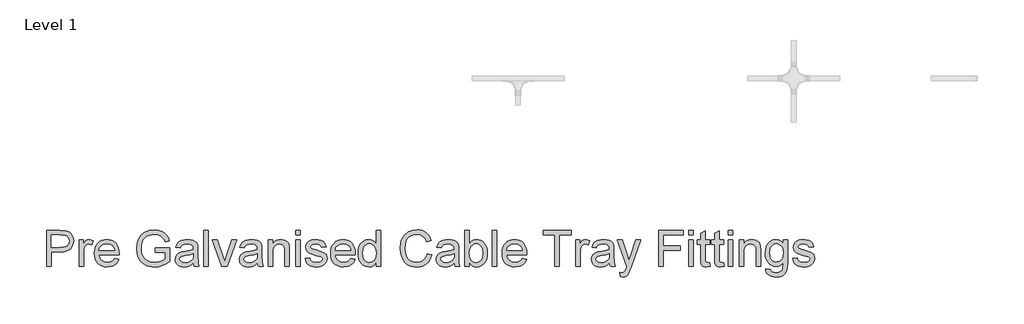
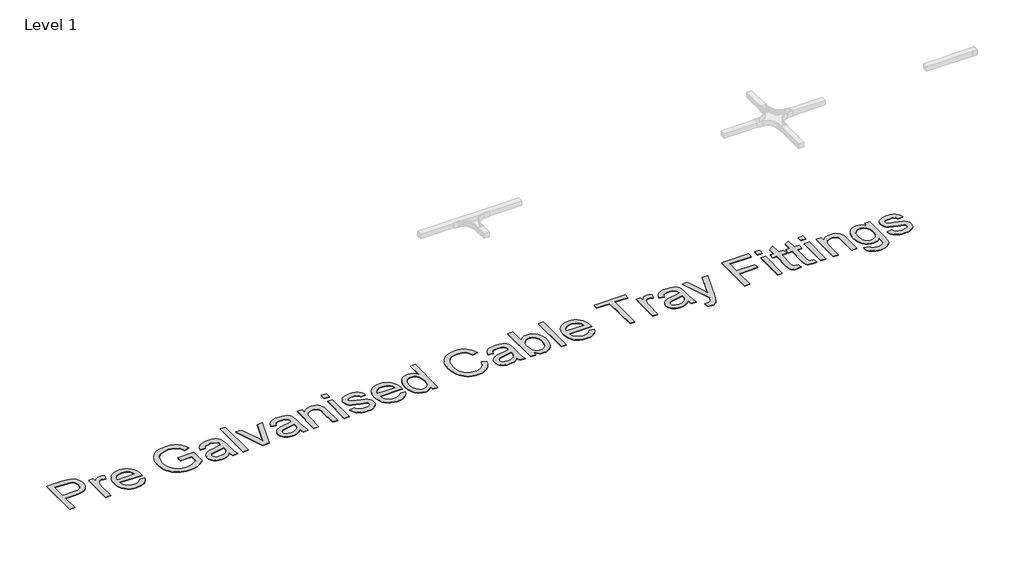
# One storey, part 13 of 15: 1 proxy.
"""IFC4 building model written with IfcOpenShell, lengths in millimetres."""

from ifc_helpers import new_model, si_unit, origin, origin_with_axes, place, context, project, spatial, polyline, outline, extrude, element, save

model = new_model("IFC4")

# Units and contexts
model_context = context("Model", 3, world=origin())
ifc_project = project(units=[si_unit("LENGTHUNIT", "METRE", prefix="MILLI")], contexts=[model_context])

# Site, building, storey
site = spatial("IfcSite", under=ifc_project)
building = spatial("IfcBuilding", under=site)
storey = spatial("IfcBuildingStorey", under=building, Name="Level 1", Elevation=0.0)

# Proxy
placement = place(None, origin())
element("IfcBuildingElementProxy", 1, Name="400mm", ObjectType="400mm", at=placement, inside=storey, context=model_context, shape_type="SweptSolid", body=[
    extrude(outline(polyline([(-11347.0230884, -15595.8757727), (-11347.0230884, -15204.1181969), (-11201.8355884, -15204.1181969), (-11143.3014975, -15207.8483105), (-11117.2026575, -15214.8183626), (-11095.7186376, -15226.1641249), (-11078.4190401, -15242.3996837), (-11064.8734672, -15264.0391249), (-11056.1220467, -15289.5641013), (-11053.2049066, -15317.4562651), (-11055.174574, -15341.5047381), (-11061.0835761, -15363.6283768), (-11070.931913, -15383.8271813), (-11084.7195846, -15402.1011515), (-11103.648118, -15417.2487604), (-11128.9190401, -15428.068481), (-11160.5323509, -15434.5603134), (-11198.4880505, -15436.7242575), (-11298.0533914, -15436.7242575), (-11298.0533914, -15595.8757727), (-11347.0230884, -15595.8757727)]), holes=[polyline([(-11298.0533914, -15387.7545605), (-11195.6187323, -15387.7545605), (-11152.1963839, -15383.2592954), (-11136.0086471, -15377.640214), (-11123.503202, -15369.7734999), (-11114.1719402, -15359.8683745), (-11107.5067532, -15348.1340587), (-11102.1746035, -15319.177856), (-11105.3188981, -15297.1797499), (-11114.7517816, -15278.6248257), (-11129.3016159, -15264.6608105), (-11147.7967626, -15256.4354318), (-11196.7664596, -15253.0878939), (-11298.0533914, -15253.0878939), (-11298.0533914, -15387.7545605)])]), origin_with_axes(), (0.0, 0.0, 1.0), 5.0),
    extrude(outline(polyline([(-10991.9927854, -15595.8757727), (-10991.9927854, -15308.178803), (-10949.1443005, -15308.178803), (-10949.1443005, -15350.740356), (-10933.3152285, -15326.0642196), (-10918.7295278, -15311.5263408), (-10904.0960051, -15304.4247783), (-10888.1234672, -15302.0575908), (-10863.7342626, -15305.8355265), (-10838.9624823, -15317.1693333), (-10855.317596, -15361.0699015), (-10872.5335051, -15353.5379412), (-10889.7494142, -15351.0272878), (-10904.3709814, -15353.4422973), (-10917.4383346, -15360.6873257), (-10927.9950344, -15372.2124204), (-10935.0846414, -15387.4676287), (-10941.0384767, -15414.8217954), (-10943.0230884, -15444.6627045), (-10943.0230884, -15595.8757727), (-10991.9927854, -15595.8757727)])), origin_with_axes(), (0.0, 0.0, 1.0), 5.0),
    extrude(outline(polyline([(-10606.9302854, -15510.178803), (-10558.9170278, -15516.3000151), (-10566.2786223, -15535.5304247), (-10576.2166253, -15552.4773352), (-10588.731037, -15567.1407466), (-10603.8218573, -15579.520659), (-10621.3336649, -15589.3540515), (-10641.1110382, -15596.3779033), (-10687.4624823, -15601.9969848), (-10717.8473663, -15599.5730087), (-10744.9205789, -15592.3010804), (-10768.6821201, -15580.1812), (-10789.1319899, -15563.2133674), (-10805.5767697, -15541.8698245), (-10817.323041, -15516.6228134), (-10824.3708038, -15487.472334), (-10826.7200581, -15454.4183863), (-10824.3468928, -15420.2436112), (-10817.2273971, -15390.121748), (-10805.3615709, -15364.0527968), (-10788.7494142, -15342.0367575), (-10768.3533441, -15324.5458721), (-10745.1357778, -15312.0523825), (-10719.0967153, -15304.5562888), (-10690.2361566, -15302.0575908), (-10662.3051374, -15304.550311), (-10637.0461708, -15312.0284715), (-10614.4592567, -15324.4920724), (-10594.5443952, -15341.9411136), (-10578.2879144, -15363.9093309), (-10566.6761424, -15389.9304602), (-10559.7090792, -15420.0045014), (-10557.3867248, -15454.1314545), (-10557.6736566, -15467.3303181), (-10777.7503611, -15467.3303181), (-10774.9139205, -15486.8715705), (-10769.273917, -15503.9858579), (-10760.8303505, -15518.6731803), (-10749.583221, -15530.9335378), (-10721.1650155, -15547.5038503), (-10686.5060429, -15553.0272878), (-10660.4430695, -15550.4688124), (-10638.4927854, -15542.7933863), (-10620.6551907, -15529.5227897), (-10606.9302854, -15510.178803)]), holes=[polyline([(-10777.7503611, -15418.3606212), (-10606.3564217, -15418.3606212), (-10612.9797645, -15392.4889355), (-10625.9634293, -15373.9818333), (-10639.3177143, -15363.9392196), (-10654.5131452, -15356.7659242), (-10690.4274445, -15351.0272878), (-10723.436559, -15355.6062414), (-10750.7309482, -15369.3431022), (-10769.7043147, -15390.7553891), (-10777.7503611, -15418.3606212)])]), origin_with_axes(), (0.0, 0.0, 1.0), 5.0),
    extrude(outline(polyline([(-10165.629149, -15442.8454696), (-10165.629149, -15393.8757727), (-10006.4776339, -15393.8757727), (-10006.4776339, -15540.3066439), (-10045.1536518, -15567.2065018), (-10085.0491301, -15586.5026666), (-10126.0684246, -15598.1234052), (-10168.1158914, -15601.9969848), (-10196.2441762, -15600.4577151), (-10223.0513791, -15595.8399062), (-10248.5375001, -15588.1435579), (-10272.7025392, -15577.3686704), (-10294.7664004, -15563.6766427), (-10313.948988, -15547.228874), (-10330.2503019, -15528.0253643), (-10343.6703422, -15506.0661136), (-10354.1523202, -15482.053507), (-10361.6394473, -15456.6899299), (-10367.629149, -15401.9098636), (-10361.6633583, -15346.735266), (-10343.7659861, -15295.4103371), (-10330.5282671, -15272.2973813), (-10314.6782731, -15252.3586088), (-10296.2160039, -15235.5940196), (-10275.1414596, -15222.0036136), (-10251.9119378, -15211.5007135), (-10226.9847361, -15203.998642), (-10172.0372929, -15197.9969848), (-10131.6994615, -15201.4760331), (-10095.4264975, -15211.913178), (-10064.8802143, -15228.5552234), (-10041.7224255, -15250.6489734), (-10024.5902049, -15279.2584668), (-10012.1206263, -15315.4477424), (-10057.2645657, -15328.1683863), (-10067.3430458, -15302.3564782), (-10079.5974255, -15282.880981), (-10095.8090732, -15268.1996363), (-10117.7593573, -15256.7701855), (-10143.9299303, -15249.4175577), (-10172.8024445, -15246.9666818), (-10206.6006215, -15249.6088456), (-10235.4970467, -15257.5353371), (-10259.3841206, -15269.7538503), (-10278.1542437, -15285.2720795), (-10292.5606121, -15303.2890066), (-10303.3564217, -15323.0036136), (-10314.8336945, -15359.9699962), (-10318.659452, -15399.9013408), (-10314.0565874, -15446.7310047), (-10300.2479937, -15485.2635568), (-10277.652113, -15515.2240208), (-10246.6873876, -15536.3374204), (-10210.4502901, -15548.854821), (-10172.0372929, -15553.0272878), (-10138.1195609, -15549.8829933), (-10105.0387134, -15540.4501098), (-10076.3096651, -15527.4544895), (-10055.4473308, -15513.6219848), (-10055.4473308, -15442.8454696), (-10165.629149, -15442.8454696)])), origin_with_axes(), (0.0, 0.0, 1.0), 5.0),
    extrude(outline(polyline([(-9749.3867248, -15559.1484999), (-9772.7836234, -15579.2098162), (-9796.8739407, -15592.3369469), (-9822.2076291, -15599.5819753), (-9849.3346414, -15601.9969848), (-9871.1384707, -15600.5443925), (-9890.258292, -15596.1866155), (-9906.6941052, -15588.9236538), (-9920.4459104, -15578.7555075), (-9931.3044864, -15566.3277731), (-9939.0606121, -15552.2860473), (-9943.7142875, -15536.63033), (-9945.2655126, -15519.3606212), (-9942.9222361, -15499.060195), (-9935.8924066, -15480.6248257), (-9925.0487749, -15464.8435757), (-9911.2640922, -15452.5055075), (-9876.9757399, -15436.4373257), (-9834.6054748, -15429.0727424), (-9784.5358725, -15421.3255833), (-9749.6736566, -15412.239409), (-9749.3867248, -15401.3359999), (-9752.7581736, -15379.4813598), (-9762.8725202, -15365.1825908), (-9785.4923119, -15354.5661136), (-9817.0069899, -15351.0272878), (-9846.1783914, -15353.3825198), (-9866.5505505, -15360.4482158), (-9880.4428327, -15373.5155691), (-9890.1746035, -15393.8757727), (-9939.1443005, -15387.7545605), (-9930.6439454, -15360.9742575), (-9917.9591679, -15339.9325908), (-9899.9063744, -15323.840498), (-9875.301971, -15311.9089166), (-9845.2099965, -15304.5204223), (-9810.6944899, -15302.0575908), (-9777.5897314, -15304.2334905), (-9751.3474255, -15310.7611893), (-9731.5610856, -15320.5766486), (-9717.8242248, -15332.6158295), (-9708.7141395, -15347.5004176), (-9702.8081263, -15365.8520984), (-9700.4170278, -15408.7005833), (-9700.4170278, -15469.6257727), (-9697.9302854, -15554.7010568), (-9688.1746035, -15595.8757727), (-9737.1443005, -15595.8757727), (-9744.9871035, -15578.8511515), (-9749.3867248, -15559.1484999)]), holes=[polyline([(-9749.3867248, -15461.209106), (-9782.2882399, -15469.3627518), (-9828.3886187, -15476.2252045), (-9870.519774, -15484.1636515), (-9881.4829606, -15489.591445), (-9889.6007399, -15497.0755833), (-9894.6220467, -15506.0422026), (-9896.2958157, -15515.9174393), (-9892.6493905, -15530.4792291), (-9881.7101149, -15542.4108105), (-9863.7170988, -15550.3731685), (-9838.909452, -15553.0272878), (-9812.6073687, -15550.0981922), (-9789.3658914, -15541.3109052), (-9770.5240354, -15528.3631069), (-9757.4208157, -15512.9524772), (-9751.6104464, -15497.0755833), (-9749.6736566, -15475.0774772), (-9749.3867248, -15461.209106)])]), origin_with_axes(), (0.0, 0.0, 1.0), 5.0),
    extrude(outline(polyline([(-9633.0836945, -15595.8757727), (-9633.0836945, -15204.1181969), (-9584.1139975, -15204.1181969), (-9584.1139975, -15595.8757727), (-9633.0836945, -15595.8757727)])), origin_with_axes(), (0.0, 0.0, 1.0), 5.0),
    extrude(outline(polyline([(-9440.0742248, -15595.8757727), (-9541.2655126, -15308.178803), (-9489.4264975, -15308.178803), (-9428.1187323, -15480.5291818), (-9409.659452, -15538.489409), (-9391.5827475, -15483.7810757), (-9329.8924066, -15308.178803), (-9278.0533914, -15308.178803), (-9378.0013081, -15595.8757727), (-9440.0742248, -15595.8757727)])), origin_with_axes(), (0.0, 0.0, 1.0), 5.0),
    extrude(outline(polyline([(-9051.5685429, -15559.1484999), (-9074.9654416, -15579.2098162), (-9099.0557589, -15592.3369469), (-9124.3894473, -15599.5819753), (-9151.5164596, -15601.9969848), (-9173.3202889, -15600.5443925), (-9192.4401102, -15596.1866155), (-9208.8759234, -15588.9236538), (-9222.6277285, -15578.7555075), (-9233.4863045, -15566.3277731), (-9241.2424303, -15552.2860473), (-9245.8961057, -15536.63033), (-9247.4473308, -15519.3606212), (-9245.1040543, -15499.060195), (-9238.0742248, -15480.6248257), (-9227.2305931, -15464.8435757), (-9213.4459104, -15452.5055075), (-9179.1575581, -15436.4373257), (-9136.7872929, -15429.0727424), (-9086.7176907, -15421.3255833), (-9051.8554748, -15412.239409), (-9051.5685429, -15401.3359999), (-9054.9399918, -15379.4813598), (-9065.0543384, -15365.1825908), (-9087.6741301, -15354.5661136), (-9119.1888081, -15351.0272878), (-9148.3602096, -15353.3825198), (-9168.7323687, -15360.4482158), (-9182.6246509, -15373.5155691), (-9192.3564217, -15393.8757727), (-9241.3261187, -15387.7545605), (-9232.8257636, -15360.9742575), (-9220.1409861, -15339.9325908), (-9202.0881926, -15323.840498), (-9177.4837892, -15311.9089166), (-9147.3918147, -15304.5204223), (-9112.8763081, -15302.0575908), (-9079.7715496, -15304.2334905), (-9053.5292437, -15310.7611893), (-9033.7429037, -15320.5766486), (-9020.0060429, -15332.6158295), (-9010.8959577, -15347.5004176), (-9004.9899445, -15365.8520984), (-9002.598846, -15408.7005833), (-9002.598846, -15469.6257727), (-9000.1121035, -15554.7010568), (-8990.3564217, -15595.8757727), (-9039.3261187, -15595.8757727), (-9047.1689217, -15578.8511515), (-9051.5685429, -15559.1484999)]), holes=[polyline([(-9051.5685429, -15461.209106), (-9084.4700581, -15469.3627518), (-9130.5704369, -15476.2252045), (-9172.7015922, -15484.1636515), (-9183.6647787, -15489.591445), (-9191.7825581, -15497.0755833), (-9196.8038649, -15506.0422026), (-9198.4776339, -15515.9174393), (-9194.8312087, -15530.4792291), (-9183.8919331, -15542.4108105), (-9165.898917, -15550.3731685), (-9141.0912702, -15553.0272878), (-9114.7891869, -15550.0981922), (-9091.5477096, -15541.3109052), (-9072.7058535, -15528.3631069), (-9059.6026339, -15512.9524772), (-9053.7922645, -15497.0755833), (-9051.8554748, -15475.0774772), (-9051.5685429, -15461.209106)])]), origin_with_axes(), (0.0, 0.0, 1.0), 5.0),
    extrude(outline(polyline([(-8935.2655126, -15595.8757727), (-8935.2655126, -15308.178803), (-8886.2958157, -15308.178803), (-8886.2958157, -15348.3492575), (-8869.2831499, -15328.0966533), (-8848.8512134, -15313.6305075), (-8825.000006, -15304.95082), (-8797.7295278, -15302.0575908), (-8773.5913886, -15304.3889119), (-8751.4856831, -15311.3828749), (-8733.0503138, -15322.1667291), (-8719.9231831, -15335.8677234), (-8711.0163412, -15352.4499914), (-8705.2418384, -15371.8776666), (-8702.659452, -15419.2214166), (-8702.659452, -15595.8757727), (-8751.629149, -15595.8757727), (-8751.629149, -15425.8208484), (-8753.0398971, -15400.4991155), (-8757.2721414, -15382.4941439), (-8765.079078, -15369.5941676), (-8777.2139028, -15359.5874204), (-8792.7679984, -15353.167321), (-8810.8327475, -15351.0272878), (-8839.5139738, -15355.8333958), (-8863.9629558, -15370.2517196), (-8873.733582, -15382.0219019), (-8880.7126007, -15398.108017), (-8884.9000119, -15418.5100648), (-8886.2958157, -15443.2280454), (-8886.2958157, -15595.8757727), (-8935.2655126, -15595.8757727)])), origin_with_axes(), (0.0, 0.0, 1.0), 5.0),
    extrude(outline(polyline([(-8635.3261187, -15595.8757727), (-8635.3261187, -15308.178803), (-8586.3564217, -15308.178803), (-8586.3564217, -15595.8757727), (-8635.3261187, -15595.8757727)])), origin_with_axes(), (0.0, 0.0, 1.0), 5.0),
    extrude(outline(polyline([(-8635.3261187, -15253.0878939), (-8635.3261187, -15204.1181969), (-8586.3564217, -15204.1181969), (-8586.3564217, -15253.0878939), (-8635.3261187, -15253.0878939)])), origin_with_axes(), (0.0, 0.0, 1.0), 5.0),
    extrude(outline(polyline([(-8531.2655126, -15510.178803), (-8482.2958157, -15504.0575908), (-8474.5725676, -15525.0036136), (-8459.628202, -15540.4022878), (-8437.3670751, -15549.8710378), (-8407.6935429, -15553.0272878), (-8378.3786755, -15550.1340587), (-8357.7674066, -15541.4543712), (-8345.5728043, -15528.8771931), (-8341.5079369, -15514.2914924), (-8345.5967153, -15501.8099583), (-8357.8630505, -15492.2933863), (-8408.2674066, -15478.3293712), (-8482.0088839, -15454.3705643), (-8500.6714075, -15442.3313835), (-8514.1930695, -15426.3947121), (-8522.4064928, -15407.576767), (-8525.1443005, -15386.8937651), (-8522.9444899, -15367.9203986), (-8516.3450581, -15350.4056022), (-8505.9437797, -15335.0427944), (-8492.3384293, -15322.5253939), (-8461.206327, -15308.0353371), (-8419.0751717, -15302.0575908), (-8387.2018289, -15304.4606448), (-8359.4889975, -15311.6698068), (-8337.2039596, -15322.9797026), (-8321.6139975, -15337.6849583), (-8311.284452, -15356.8735236), (-8304.7806642, -15381.6333484), (-8353.7503611, -15387.7545605), (-8359.9313507, -15372.3439308), (-8372.1618195, -15360.7351477), (-8390.5613223, -15353.4542528), (-8415.2494142, -15351.0272878), (-8443.3687323, -15353.3466533), (-8462.1149445, -15360.3047499), (-8472.6596888, -15370.3473636), (-8476.1746035, -15381.9202802), (-8470.3403232, -15396.1712272), (-8452.0723308, -15406.9789924), (-8409.8933535, -15417.4041818), (-8338.0169331, -15440.4543712), (-8319.0316111, -15451.4773352), (-8304.6371982, -15466.5651666), (-8295.5629795, -15485.7656874), (-8292.5382399, -15509.1267196), (-8296.0890212, -15533.2768143), (-8306.7413649, -15555.9922499), (-8324.0887844, -15575.4916581), (-8347.7247929, -15589.9936704), (-8376.2745089, -15598.9961562), (-8408.3630505, -15601.9969848), (-8434.7189336, -15600.5503702), (-8457.7392342, -15596.2105265), (-8477.4239525, -15588.9774535), (-8493.7730884, -15578.8511515), (-8507.1273734, -15565.8794422), (-8517.8275392, -15550.1101477), (-8525.8735856, -15531.5432679), (-8531.2655126, -15510.178803)])), origin_with_axes(), (0.0, 0.0, 1.0), 5.0),
    extrude(outline(polyline([(-8036.0211945, -15510.178803), (-7988.0079369, -15516.3000151), (-7995.3695313, -15535.5304247), (-8005.3075344, -15552.4773352), (-8017.8219461, -15567.1407466), (-8032.9127664, -15579.520659), (-8050.424574, -15589.3540515), (-8070.2019473, -15596.3779033), (-8116.5533914, -15601.9969848), (-8146.9382754, -15599.5730087), (-8174.011488, -15592.3010804), (-8197.7730292, -15580.1812), (-8218.222899, -15563.2133674), (-8234.6676788, -15541.8698245), (-8246.4139501, -15516.6228134), (-8253.4617129, -15487.472334), (-8255.8109672, -15454.4183863), (-8253.4378019, -15420.2436112), (-8246.3183062, -15390.121748), (-8234.45248, -15364.0527968), (-8217.8403232, -15342.0367575), (-8197.4442532, -15324.5458721), (-8174.2266869, -15312.0523825), (-8148.1876244, -15304.5562888), (-8119.3270657, -15302.0575908), (-8091.3960465, -15304.550311), (-8066.1370799, -15312.0284715), (-8043.5501658, -15324.4920724), (-8023.6353043, -15341.9411136), (-8007.3788235, -15363.9093309), (-7995.7670515, -15389.9304602), (-7988.7999883, -15420.0045014), (-7986.4776339, -15454.1314545), (-7986.7645657, -15467.3303181), (-8206.8412702, -15467.3303181), (-8204.0048296, -15486.8715705), (-8198.3648261, -15503.9858579), (-8189.9212596, -15518.6731803), (-8178.6741301, -15530.9335378), (-8150.2559246, -15547.5038503), (-8115.596952, -15553.0272878), (-8089.5339785, -15550.4688124), (-8067.5836945, -15542.7933863), (-8049.7460998, -15529.5227897), (-8036.0211945, -15510.178803)]), holes=[polyline([(-8206.8412702, -15418.3606212), (-8035.4473308, -15418.3606212), (-8042.0706736, -15392.4889355), (-8055.0543384, -15373.9818333), (-8068.4086234, -15363.9392196), (-8083.6040543, -15356.7659242), (-8119.5183535, -15351.0272878), (-8152.5274681, -15355.6062414), (-8179.8218573, -15369.3431022), (-8198.7952238, -15390.7553891), (-8206.8412702, -15418.3606212)])]), origin_with_axes(), (0.0, 0.0, 1.0), 5.0),
    extrude(outline(polyline([(-7759.9927854, -15595.8757727), (-7759.9927854, -15549.6797499), (-7774.6442413, -15572.5685402), (-7792.3921698, -15588.9176761), (-7813.2365709, -15598.7271576), (-7837.1774445, -15601.9969848), (-7868.8355884, -15597.2626098), (-7897.815702, -15583.0594848), (-7922.3483725, -15560.3799157), (-7940.6641869, -15530.2162083), (-7952.0697267, -15493.7878229), (-7955.8715732, -15452.3142196), (-7952.368614, -15411.3547026), (-7941.8597361, -15374.364409), (-7924.3568952, -15343.4475056), (-7899.8720467, -15320.708159), (-7870.258292, -15306.7202329), (-7837.3687323, -15302.0575908), (-7813.4099255, -15305.3931732), (-7792.2247929, -15315.3999204), (-7774.2676433, -15330.7388172), (-7759.9927854, -15350.0708484), (-7759.9927854, -15204.1181969), (-7711.0230884, -15204.1181969), (-7711.0230884, -15595.8757727), (-7759.9927854, -15595.8757727)]), holes=[polyline([(-7906.9018763, -15452.1229318), (-7901.3784388, -15496.4180312), (-7894.4741419, -15513.7684396), (-7884.8081263, -15527.9207537), (-7860.7297645, -15546.7506543), (-7847.2021249, -15551.4581294), (-7832.6821793, -15553.0272878), (-7804.6465496, -15547.0375861), (-7781.1779179, -15529.068481), (-7771.9094224, -15515.5079637), (-7765.2890685, -15498.7852187), (-7759.9927854, -15455.8530454), (-7765.3847124, -15408.9157821), (-7772.1246213, -15390.8450553), (-7781.5604937, -15376.3729318), (-7792.9690223, -15365.2842125), (-7805.6268999, -15357.3636988), (-7819.5341265, -15352.6113906), (-7834.690702, -15351.0272878), (-7849.4975794, -15352.5486242), (-7863.0252191, -15357.1126335), (-7875.2736211, -15364.7193155), (-7886.2427854, -15375.3686704), (-7895.2811376, -15389.2938302), (-7901.7371035, -15406.727927), (-7906.9018763, -15452.1229318)])]), origin_with_axes(), (0.0, 0.0, 1.0), 5.0),
    extrude(outline(polyline([(-7202.9624823, -15456.6181969), (-7153.9927854, -15469.2431969), (-7163.682712, -15499.696825), (-7176.588666, -15526.3067623), (-7192.7106476, -15549.0730087), (-7212.0486566, -15567.9955643), (-7234.1663176, -15582.8711858), (-7258.6272551, -15593.4966297), (-7285.4314691, -15599.871896), (-7314.5789596, -15601.9969848), (-7344.4407908, -15600.3889711), (-7371.3795041, -15595.5649299), (-7395.3950995, -15587.5248612), (-7416.487577, -15576.2687651), (-7434.9468573, -15561.9640184), (-7451.0628611, -15544.777998), (-7464.8355884, -15524.710704), (-7476.2650392, -15501.7621363), (-7491.6517579, -15451.1904033), (-7496.7806642, -15397.0320227), (-7490.9822503, -15339.9086799), (-7483.734233, -15314.2701264), (-7473.5870089, -15290.5803181), (-7460.7677321, -15269.2307975), (-7445.5035571, -15250.6131069), (-7427.794484, -15234.7272464), (-7407.6405126, -15221.5732158), (-7362.7356831, -15203.8910426), (-7313.5268763, -15197.9969848), (-7285.5181464, -15199.9038858), (-7259.8347598, -15205.624589), (-7236.4767165, -15215.1590942), (-7215.4440164, -15228.5074015), (-7197.0833689, -15245.3168238), (-7181.7414833, -15265.2346742), (-7169.4183595, -15288.2609526), (-7160.1139975, -15314.395659), (-7209.0836945, -15326.0642196), (-7226.0604937, -15290.3531638), (-7249.254149, -15265.8563598), (-7278.9515922, -15251.6891013), (-7315.4397551, -15246.9666818), (-7357.4991774, -15252.2031874), (-7392.0505505, -15267.9127045), (-7418.2689454, -15292.4453749), (-7435.3294331, -15324.1513408), (-7444.6905837, -15359.9939071), (-7447.8109672, -15396.9363787), (-7444.11672, -15442.1759621), (-7433.0339785, -15481.2943333), (-7414.1443005, -15512.7970558), (-7387.0292437, -15535.1896931), (-7354.5222598, -15548.5678891), (-7319.4568005, -15553.0272878), (-7298.1670574, -15551.5089403), (-7278.5809719, -15546.9538977), (-7260.6985441, -15539.36216), (-7244.519774, -15528.7337272), (-7230.4272373, -15515.1164213), (-7218.8035098, -15498.5580643), (-7209.6485915, -15479.0586562), (-7202.9624823, -15456.6181969)])), origin_with_axes(), (0.0, 0.0, 1.0), 5.0),
    extrude(outline(polyline([(-6909.1443005, -15559.1484999), (-6932.5411992, -15579.2098162), (-6956.6315164, -15592.3369469), (-6981.9652049, -15599.5819753), (-7009.0922172, -15601.9969848), (-7030.8960465, -15600.5443925), (-7050.0158678, -15596.1866155), (-7066.451681, -15588.9236538), (-7080.2034861, -15578.7555075), (-7091.0620621, -15566.3277731), (-7098.8181878, -15552.2860473), (-7103.4718633, -15536.63033), (-7105.0230884, -15519.3606212), (-7102.6798119, -15499.060195), (-7095.6499823, -15480.6248257), (-7084.8063507, -15464.8435757), (-7071.0216679, -15452.5055075), (-7036.7333157, -15436.4373257), (-6994.3630505, -15429.0727424), (-6944.2934482, -15421.3255833), (-6909.4312323, -15412.239409), (-6909.1443005, -15401.3359999), (-6912.5157494, -15379.4813598), (-6922.630096, -15365.1825908), (-6945.2498876, -15354.5661136), (-6976.7645657, -15351.0272878), (-7005.9359672, -15353.3825198), (-7026.3081263, -15360.4482158), (-7040.2004085, -15373.5155691), (-7049.9321793, -15393.8757727), (-7098.9018763, -15387.7545605), (-7090.4015212, -15360.9742575), (-7077.7167437, -15339.9325908), (-7059.6639501, -15323.840498), (-7035.0595467, -15311.9089166), (-7004.9675723, -15304.5204223), (-6970.4520657, -15302.0575908), (-6937.3473071, -15304.2334905), (-6911.1050013, -15310.7611893), (-6891.3186613, -15320.5766486), (-6877.5818005, -15332.6158295), (-6868.4717153, -15347.5004176), (-6862.565702, -15365.8520984), (-6860.1746035, -15408.7005833), (-6860.1746035, -15469.6257727), (-6857.6878611, -15554.7010568), (-6847.9321793, -15595.8757727), (-6896.9018763, -15595.8757727), (-6904.7446793, -15578.8511515), (-6909.1443005, -15559.1484999)]), holes=[polyline([(-6909.1443005, -15461.209106), (-6942.0458157, -15469.3627518), (-6988.1461945, -15476.2252045), (-7030.2773498, -15484.1636515), (-7041.2405363, -15489.591445), (-7049.3583157, -15497.0755833), (-7054.3796225, -15506.0422026), (-7056.0533914, -15515.9174393), (-7052.4069662, -15530.4792291), (-7041.4676907, -15542.4108105), (-7023.4746746, -15550.3731685), (-6998.6670278, -15553.0272878), (-6972.3649445, -15550.0981922), (-6949.1234672, -15541.3109052), (-6930.2816111, -15528.3631069), (-6917.1783914, -15512.9524772), (-6911.3680221, -15497.0755833), (-6909.4312323, -15475.0774772), (-6909.1443005, -15461.209106)])]), origin_with_axes(), (0.0, 0.0, 1.0), 5.0),
    extrude(outline(polyline([(-6743.8715732, -15595.8757727), (-6792.8412702, -15595.8757727), (-6792.8412702, -15204.1181969), (-6743.8715732, -15204.1181969), (-6743.8715732, -15349.4013408), (-6727.7675249, -15328.6884502), (-6709.583221, -15313.8935283), (-6689.3186613, -15305.0165752), (-6666.973846, -15302.0575908), (-6641.747757, -15304.7236657), (-6617.9085051, -15312.7218901), (-6596.8190164, -15325.5501335), (-6579.8422172, -15342.7062651), (-6566.5357541, -15364.0229081), (-6556.457274, -15389.3326855), (-6550.1089075, -15417.5835141), (-6547.9927854, -15447.7233105), (-6550.1836294, -15482.501838), (-6556.7561613, -15513.0959431), (-6567.7103812, -15539.5056259), (-6583.0462892, -15561.7308863), (-6601.4547586, -15579.3473044), (-6621.6266632, -15591.9304602), (-6643.5620029, -15599.4803536), (-6667.2607778, -15601.9969848), (-6690.3408559, -15598.7510686), (-6710.8026812, -15589.01332), (-6728.6462536, -15572.783739), (-6743.8715732, -15550.0623257), (-6743.8715732, -15595.8757727)]), holes=[polyline([(-6743.8715732, -15450.0187651), (-6740.5240354, -15490.8587272), (-6730.4814217, -15518.4998257), (-6718.6155955, -15533.6055904), (-6704.824935, -15544.3954223), (-6689.1094402, -15550.8693214), (-6671.4691111, -15553.0272878), (-6656.8236329, -15551.4372073), (-6643.206327, -15546.6669658), (-6619.0562323, -15527.5859999), (-6609.3902167, -15513.3051642), (-6602.4859198, -15495.903945), (-6596.9624823, -15451.740356), (-6602.2587655, -15406.9311704), (-6608.8791194, -15389.5837509), (-6618.1476149, -15375.6077802), (-6641.5445136, -15357.1724109), (-6654.9017875, -15352.5635686), (-6669.3649445, -15351.0272878), (-6684.0104227, -15352.6173683), (-6697.6277285, -15357.3876098), (-6721.7778232, -15376.4685757), (-6731.4438389, -15390.6059455), (-6738.3481357, -15407.576767), (-6743.8715732, -15450.0187651)])]), origin_with_axes(), (0.0, 0.0, 1.0), 5.0),
    extrude(outline(polyline([(-6492.9018763, -15595.8757727), (-6492.9018763, -15204.1181969), (-6443.9321793, -15204.1181969), (-6443.9321793, -15595.8757727), (-6492.9018763, -15595.8757727)])), origin_with_axes(), (0.0, 0.0, 1.0), 5.0),
    extrude(outline(polyline([(-6169.0514975, -15510.178803), (-6121.0382399, -15516.3000151), (-6128.3998344, -15535.5304247), (-6138.3378374, -15552.4773352), (-6150.8522491, -15567.1407466), (-6165.9430695, -15579.520659), (-6183.454877, -15589.3540515), (-6203.2322503, -15596.3779033), (-6249.5836945, -15601.9969848), (-6279.9685785, -15599.5730087), (-6307.041791, -15592.3010804), (-6330.8033322, -15580.1812), (-6351.253202, -15563.2133674), (-6367.6979819, -15541.8698245), (-6379.4442532, -15516.6228134), (-6386.492016, -15487.472334), (-6388.8412702, -15454.4183863), (-6386.468105, -15420.2436112), (-6379.3486092, -15390.121748), (-6367.482783, -15364.0527968), (-6350.8706263, -15342.0367575), (-6330.4745562, -15324.5458721), (-6307.2569899, -15312.0523825), (-6281.2179274, -15304.5562888), (-6252.3573687, -15302.0575908), (-6224.4263495, -15304.550311), (-6199.1673829, -15312.0284715), (-6176.5804688, -15324.4920724), (-6156.6656073, -15341.9411136), (-6140.4091265, -15363.9093309), (-6128.7973545, -15389.9304602), (-6121.8302913, -15420.0045014), (-6119.5079369, -15454.1314545), (-6119.7948687, -15467.3303181), (-6339.8715732, -15467.3303181), (-6337.0351327, -15486.8715705), (-6331.3951291, -15503.9858579), (-6322.9515626, -15518.6731803), (-6311.7044331, -15530.9335378), (-6283.2862276, -15547.5038503), (-6248.6272551, -15553.0272878), (-6222.5642816, -15550.4688124), (-6200.6139975, -15542.7933863), (-6182.7764028, -15529.5227897), (-6169.0514975, -15510.178803)]), holes=[polyline([(-6339.8715732, -15418.3606212), (-6168.4776339, -15418.3606212), (-6175.1009767, -15392.4889355), (-6188.0846414, -15373.9818333), (-6201.4389265, -15363.9392196), (-6216.6343573, -15356.7659242), (-6252.5486566, -15351.0272878), (-6285.5577712, -15355.6062414), (-6312.8521604, -15369.3431022), (-6331.8255268, -15390.7553891), (-6339.8715732, -15418.3606212)])]), origin_with_axes(), (0.0, 0.0, 1.0), 5.0),
    extrude(outline(polyline([(-5813.4473308, -15595.8757727), (-5813.4473308, -15253.0878939), (-5941.9927854, -15253.0878939), (-5941.9927854, -15204.1181969), (-5635.9321793, -15204.1181969), (-5635.9321793, -15253.0878939), (-5764.4776339, -15253.0878939), (-5764.4776339, -15595.8757727), (-5813.4473308, -15595.8757727)])), origin_with_axes(), (0.0, 0.0, 1.0), 5.0),
    extrude(outline(polyline([(-5586.9624823, -15595.8757727), (-5586.9624823, -15308.178803), (-5544.1139975, -15308.178803), (-5544.1139975, -15350.740356), (-5528.2849255, -15326.0642196), (-5513.6992248, -15311.5263408), (-5499.065702, -15304.4247783), (-5483.0931642, -15302.0575908), (-5458.7039596, -15305.8355265), (-5433.9321793, -15317.1693333), (-5450.2872929, -15361.0699015), (-5467.503202, -15353.5379412), (-5484.7191111, -15351.0272878), (-5499.3406784, -15353.4422973), (-5512.4080316, -15360.6873257), (-5522.9647314, -15372.2124204), (-5530.0543384, -15387.4676287), (-5536.0081736, -15414.8217954), (-5537.9927854, -15444.6627045), (-5537.9927854, -15595.8757727), (-5586.9624823, -15595.8757727)])), origin_with_axes(), (0.0, 0.0, 1.0), 5.0),
    extrude(outline(polyline([(-5219.6897551, -15559.1484999), (-5243.0866537, -15579.2098162), (-5267.176971, -15592.3369469), (-5292.5106594, -15599.5819753), (-5319.6376717, -15601.9969848), (-5341.441501, -15600.5443925), (-5360.5613223, -15596.1866155), (-5376.9971355, -15588.9236538), (-5390.7489407, -15578.7555075), (-5401.6075167, -15566.3277731), (-5409.3636424, -15552.2860473), (-5414.0173178, -15536.63033), (-5415.5685429, -15519.3606212), (-5413.2252664, -15499.060195), (-5406.1954369, -15480.6248257), (-5395.3518053, -15464.8435757), (-5381.5671225, -15452.5055075), (-5347.2787702, -15436.4373257), (-5304.9085051, -15429.0727424), (-5254.8389028, -15421.3255833), (-5219.9766869, -15412.239409), (-5219.6897551, -15401.3359999), (-5223.0612039, -15379.4813598), (-5233.1755505, -15365.1825908), (-5255.7953422, -15354.5661136), (-5287.3100202, -15351.0272878), (-5316.4814217, -15353.3825198), (-5336.8535808, -15360.4482158), (-5350.745863, -15373.5155691), (-5360.4776339, -15393.8757727), (-5409.4473308, -15387.7545605), (-5400.9469757, -15360.9742575), (-5388.2621982, -15339.9325908), (-5370.2094047, -15323.840498), (-5345.6050013, -15311.9089166), (-5315.5130268, -15304.5204223), (-5280.9975202, -15302.0575908), (-5247.8927617, -15304.2334905), (-5221.6504558, -15310.7611893), (-5201.8641159, -15320.5766486), (-5188.1272551, -15332.6158295), (-5179.0171698, -15347.5004176), (-5173.1111566, -15365.8520984), (-5170.7200581, -15408.7005833), (-5170.7200581, -15469.6257727), (-5168.2333157, -15554.7010568), (-5158.4776339, -15595.8757727), (-5207.4473308, -15595.8757727), (-5215.2901339, -15578.8511515), (-5219.6897551, -15559.1484999)]), holes=[polyline([(-5219.6897551, -15461.209106), (-5252.5912702, -15469.3627518), (-5298.691649, -15476.2252045), (-5340.8228043, -15484.1636515), (-5351.7859909, -15489.591445), (-5359.9037702, -15497.0755833), (-5364.925077, -15506.0422026), (-5366.598846, -15515.9174393), (-5362.9524208, -15530.4792291), (-5352.0131452, -15542.4108105), (-5334.0201291, -15550.3731685), (-5309.2124823, -15553.0272878), (-5282.910399, -15550.0981922), (-5259.6689217, -15541.3109052), (-5240.8270657, -15528.3631069), (-5227.723846, -15512.9524772), (-5221.9134767, -15497.0755833), (-5219.9766869, -15475.0774772), (-5219.6897551, -15461.209106)])]), origin_with_axes(), (0.0, 0.0, 1.0), 5.0),
    extrude(outline(polyline([(-5103.3867248, -15706.0575908), (-5109.5079369, -15658.9051287), (-5084.6405126, -15663.209106), (-5071.5612039, -15661.8581354), (-5061.3990354, -15657.8052234), (-5047.1480884, -15642.741303), (-5033.7579369, -15606.6835378), (-5029.9321793, -15594.8236893), (-5133.9927854, -15308.178803), (-5082.3450581, -15308.178803), (-5027.1585051, -15467.9041818), (-5007.9340732, -15531.7943333), (-4988.7096414, -15475.364409), (-4931.9927854, -15308.178803), (-4880.7276339, -15308.178803), (-4980.8668384, -15602.7621363), (-5006.8819899, -15666.6522878), (-5020.2004085, -15687.0483579), (-5035.2882399, -15701.1797499), (-5052.8149918, -15709.4290397), (-5073.4501717, -15712.178803), (-5103.3867248, -15706.0575908)])), origin_with_axes(), (0.0, 0.0, 1.0), 5.0),
    extrude(outline(polyline([(-4681.0230884, -15595.8757727), (-4681.0230884, -15204.1181969), (-4417.8109672, -15204.1181969), (-4417.8109672, -15253.0878939), (-4632.0533914, -15253.0878939), (-4632.0533914, -15369.3909242), (-4448.4170278, -15369.3909242), (-4448.4170278, -15418.3606212), (-4632.0533914, -15418.3606212), (-4632.0533914, -15595.8757727), (-4681.0230884, -15595.8757727)])), origin_with_axes(), (0.0, 0.0, 1.0), 5.0),
    extrude(outline(polyline([(-4356.598846, -15595.8757727), (-4356.598846, -15308.178803), (-4307.629149, -15308.178803), (-4307.629149, -15595.8757727), (-4356.598846, -15595.8757727)])), origin_with_axes(), (0.0, 0.0, 1.0), 5.0),
    extrude(outline(polyline([(-4356.598846, -15253.0878939), (-4356.598846, -15204.1181969), (-4307.629149, -15204.1181969), (-4307.629149, -15253.0878939), (-4356.598846, -15253.0878939)])), origin_with_axes(), (0.0, 0.0, 1.0), 5.0),
    extrude(outline(polyline([(-4130.1139975, -15555.0358105), (-4123.9927854, -15597.3104318), (-4160.6244142, -15601.9969848), (-4184.1289123, -15599.9645511), (-4201.6556642, -15593.8672499), (-4214.0415543, -15584.4702329), (-4222.1234672, -15572.5386515), (-4226.5709104, -15552.0469374), (-4228.0533914, -15516.9695227), (-4228.0533914, -15357.1484999), (-4264.7806642, -15357.1484999), (-4264.7806642, -15308.178803), (-4228.0533914, -15308.178803), (-4228.0533914, -15238.2630833), (-4179.0836945, -15209.4742575), (-4179.0836945, -15308.178803), (-4130.1139975, -15308.178803), (-4130.1139975, -15357.1484999), (-4179.0836945, -15357.1484999), (-4179.0836945, -15515.5348636), (-4176.5013081, -15540.7848636), (-4168.1324634, -15549.7275719), (-4151.442596, -15553.0272878), (-4130.1139975, -15555.0358105)])), origin_with_axes(), (0.0, 0.0, 1.0), 5.0),
    extrude(outline(polyline([(-3977.0836945, -15555.0358105), (-3970.9624823, -15597.3104318), (-4007.5941111, -15601.9969848), (-4031.0986092, -15599.9645511), (-4048.6253611, -15593.8672499), (-4061.0112513, -15584.4702329), (-4069.0931642, -15572.5386515), (-4073.5406073, -15552.0469374), (-4075.0230884, -15516.9695227), (-4075.0230884, -15357.1484999), (-4111.7503611, -15357.1484999), (-4111.7503611, -15308.178803), (-4075.0230884, -15308.178803), (-4075.0230884, -15238.2630833), (-4026.0533914, -15209.4742575), (-4026.0533914, -15308.178803), (-3977.0836945, -15308.178803), (-3977.0836945, -15357.1484999), (-4026.0533914, -15357.1484999), (-4026.0533914, -15515.5348636), (-4023.4710051, -15540.7848636), (-4015.1021604, -15549.7275719), (-3998.4122929, -15553.0272878), (-3977.0836945, -15555.0358105)])), origin_with_axes(), (0.0, 0.0, 1.0), 5.0),
    extrude(outline(polyline([(-3928.1139975, -15595.8757727), (-3928.1139975, -15308.178803), (-3879.1443005, -15308.178803), (-3879.1443005, -15595.8757727), (-3928.1139975, -15595.8757727)])), origin_with_axes(), (0.0, 0.0, 1.0), 5.0),
    extrude(outline(polyline([(-3928.1139975, -15253.0878939), (-3928.1139975, -15204.1181969), (-3879.1443005, -15204.1181969), (-3879.1443005, -15253.0878939), (-3928.1139975, -15253.0878939)])), origin_with_axes(), (0.0, 0.0, 1.0), 5.0),
    extrude(outline(polyline([(-3805.6897551, -15595.8757727), (-3805.6897551, -15308.178803), (-3756.7200581, -15308.178803), (-3756.7200581, -15348.3492575), (-3739.7073924, -15328.0966533), (-3719.2754558, -15313.6305075), (-3695.4242484, -15304.95082), (-3668.1537702, -15302.0575908), (-3644.015631, -15304.3889119), (-3621.9099255, -15311.3828749), (-3603.4745562, -15322.1667291), (-3590.3474255, -15335.8677234), (-3581.4405837, -15352.4499914), (-3575.6660808, -15371.8776666), (-3573.0836945, -15419.2214166), (-3573.0836945, -15595.8757727), (-3622.0533914, -15595.8757727), (-3622.0533914, -15425.8208484), (-3623.4641395, -15400.4991155), (-3627.6963839, -15382.4941439), (-3635.5033204, -15369.5941676), (-3647.6381452, -15359.5874204), (-3663.1922409, -15353.167321), (-3681.2569899, -15351.0272878), (-3709.9382162, -15355.8333958), (-3734.3871982, -15370.2517196), (-3744.1578244, -15382.0219019), (-3751.1368431, -15398.108017), (-3755.3242544, -15418.5100648), (-3756.7200581, -15443.2280454), (-3756.7200581, -15595.8757727), (-3805.6897551, -15595.8757727)])), origin_with_axes(), (0.0, 0.0, 1.0), 5.0),
    extrude(outline(polyline([(-3517.9927854, -15620.3606212), (-3469.0230884, -15626.4818333), (-3463.6192058, -15641.7848636), (-3453.1461945, -15652.3056969), (-3432.5588365, -15660.4832537), (-3405.6111566, -15663.209106), (-3376.8701528, -15660.124589), (-3355.4937323, -15650.8710378), (-3340.6689217, -15636.0462272), (-3331.5827475, -15616.2479318), (-3328.2352096, -15559.1484999), (-3344.5305458, -15575.2166818), (-3362.7148498, -15586.6939545), (-3382.7881215, -15593.5803181), (-3404.7503611, -15595.8757727), (-3431.5994082, -15593.2037201), (-3455.2384056, -15585.1875624), (-3475.6673533, -15571.8272997), (-3492.8862513, -15553.1229318), (-3506.5483902, -15530.6824725), (-3516.3070609, -15506.1139355), (-3522.1622633, -15479.417321), (-3524.1139975, -15450.5926287), (-3520.6110382, -15411.0558153), (-3510.1021604, -15374.6991628), (-3492.9579842, -15343.8898588), (-3469.5491301, -15320.9950908), (-3440.6766159, -15306.7919658), (-3407.1414596, -15302.0575908), (-3384.2407139, -15304.7356212), (-3363.4560903, -15312.7697121), (-3344.7875889, -15326.1598636), (-3328.2352096, -15344.9060757), (-3328.2352096, -15308.178803), (-3279.2655126, -15308.178803), (-3279.2655126, -15556.5661136), (-3282.6130505, -15613.9166107), (-3292.6556642, -15651.6840113), (-3309.9552617, -15676.7307679), (-3335.0737513, -15695.9193333), (-3367.4611803, -15708.1139355), (-3406.567596, -15712.178803), (-3452.1299776, -15706.4521221), (-3471.2796876, -15699.293771), (-3488.0084104, -15689.2720795), (-3501.5211057, -15676.375092), (-3511.0227333, -15660.5908532), (-3516.5132932, -15641.9193629), (-3517.9927854, -15620.3606212)]), holes=[polyline([(-3475.1443005, -15447.2450908), (-3469.9197503, -15492.1618759), (-3463.3890626, -15509.3568629), (-3454.2460998, -15523.0429128), (-3443.1304807, -15533.4830466), (-3430.6818242, -15540.940285), (-3416.9001303, -15545.414628), (-3401.785399, -15546.9060757), (-3373.1041727, -15540.9761515), (-3349.4203422, -15523.1863787), (-3340.1518467, -15509.6348281), (-3333.5314928, -15492.699873), (-3328.2352096, -15448.6797499), (-3333.6869142, -15406.2257963), (-3340.5015448, -15389.4552293), (-3350.0420278, -15375.6556022), (-3374.0725676, -15357.1843664), (-3387.7556286, -15352.5665575), (-3402.5505505, -15351.0272878), (-3417.0973959, -15352.5426465), (-3430.5144473, -15357.0887225), (-3453.9591679, -15375.2730265), (-3463.2276634, -15388.8634325), (-3469.8480174, -15405.3889119), (-3475.1443005, -15447.2450908)])]), origin_with_axes(), (0.0, 0.0, 1.0), 5.0),
    extrude(outline(polyline([(-3224.1746035, -15510.178803), (-3175.2049066, -15504.0575908), (-3167.4816585, -15525.0036136), (-3152.5372929, -15540.4022878), (-3130.276166, -15549.8710378), (-3100.6026339, -15553.0272878), (-3071.2877664, -15550.1340587), (-3050.6764975, -15541.4543712), (-3038.4818952, -15528.8771931), (-3034.4170278, -15514.2914924), (-3038.5058062, -15501.8099583), (-3050.7721414, -15492.2933863), (-3101.1764975, -15478.3293712), (-3174.9179748, -15454.3705643), (-3193.5804984, -15442.3313835), (-3207.1021604, -15426.3947121), (-3215.3155837, -15407.576767), (-3218.0533914, -15386.8937651), (-3215.8535808, -15367.9203986), (-3209.254149, -15350.4056022), (-3198.8528706, -15335.0427944), (-3185.2475202, -15322.5253939), (-3154.1154179, -15308.0353371), (-3111.9842626, -15302.0575908), (-3080.1109198, -15304.4606448), (-3052.3980884, -15311.6698068), (-3030.1130505, -15322.9797026), (-3014.5230884, -15337.6849583), (-3004.1935429, -15356.8735236), (-2997.6897551, -15381.6333484), (-3046.659452, -15387.7545605), (-3052.8404416, -15372.3439308), (-3065.0709104, -15360.7351477), (-3083.4704132, -15353.4542528), (-3108.1585051, -15351.0272878), (-3136.2778232, -15353.3466533), (-3155.0240354, -15360.3047499), (-3165.5687797, -15370.3473636), (-3169.0836945, -15381.9202802), (-3163.2494142, -15396.1712272), (-3144.9814217, -15406.9789924), (-3102.8024445, -15417.4041818), (-3030.926024, -15440.4543712), (-3011.940702, -15451.4773352), (-2997.5462892, -15466.5651666), (-2988.4720704, -15485.7656874), (-2985.4473308, -15509.1267196), (-2988.9981121, -15533.2768143), (-2999.6504558, -15555.9922499), (-3016.9978753, -15575.4916581), (-3040.6338839, -15589.9936704), (-3069.1835998, -15598.9961562), (-3101.2721414, -15601.9969848), (-3127.6280245, -15600.5503702), (-3150.6483251, -15596.2105265), (-3170.3330434, -15588.9774535), (-3186.6821793, -15578.8511515), (-3200.0364643, -15565.8794422), (-3210.7366301, -15550.1101477), (-3218.7826765, -15531.5432679), (-3224.1746035, -15510.178803)])), origin_with_axes(), (0.0, 0.0, 1.0), 5.0),
])

save(model, "model.ifc")
